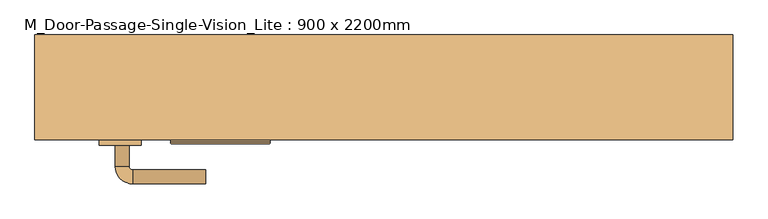
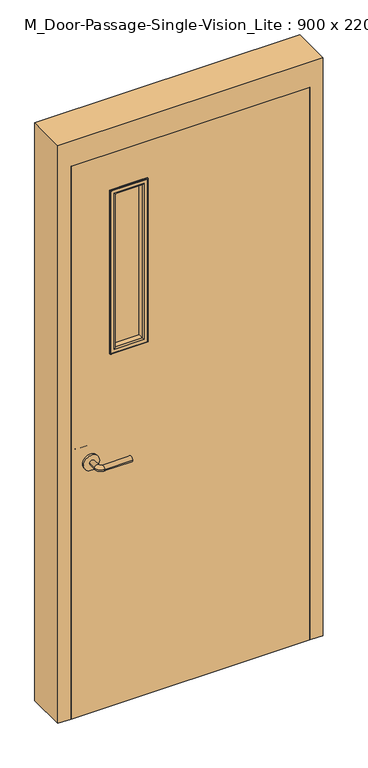
"""IFC4 building model written with IfcOpenShell, lengths in millimetres: door geometry, M_Door-Passage-Single-Vision_Lite : 900 x 2200mm."""

from ifc_helpers import new_model, si_unit, point, frame, frame_2d, origin, place, context, project, spatial, polyline, circle_curve, ellipse_curve, trimmed, segment, composite_curve, outline, extrude, faceted_brep, source, transform, mapped, element, save
from ifc_brep_helpers import plane_surface, cylinder_surface, revolved_surface, advanced_brep


def m_door_passage_single_vision_lite_900_x_2200mm_2c9f69c0(model_context):
    return source(origin(), model_context, "Body", "SolidModel", [
        advanced_brep(
        [(-384.990625, -40.85, 1000.0), (-364.990625, -40.85, 1000.0), (-384.990625, -10.85, 1000.0), (-364.990625, -10.85, 1000.0), (-359.990625, -5.85, 1000.0), (-359.990625, 14.15, 1000.0), (-254.990625, 14.15, 1000.0), (-254.990625, -5.85, 1000.0)],
        [
            (0, 1, circle_curve(frame((-374.990625, -40.85, 1000.0), z_axis=(0.0, -1.0, 0.0), x_axis=(1.0, 0.0, 0.0)), 10.0)),
            (1, 0, circle_curve(frame((-374.990625, -40.85, 1000.0), z_axis=(0.0, -1.0, 0.0), x_axis=(1.0, 0.0, 0.0)), 10.0)),
            (0, 2),
            (2, 3, circle_curve(frame((-374.990625, -10.85, 1000.0), z_axis=(0.0, -1.0, 0.0), x_axis=(1.0, 0.0, 0.0)), 10.0)),
            (3, 1),
            (3, 2, circle_curve(frame((-374.990625, -10.85, 1000.0), z_axis=(0.0, -1.0, 0.0), x_axis=(1.0, 0.0, 0.0)), 10.0)),
            (4, 3, circle_curve(frame((-359.990625, -10.85, 1000.0), z_axis=(0.0, 0.0, 1.0), x_axis=(-1.0, 0.0, 0.0)), 5.0)),
            (2, 5, circle_curve(frame((-359.990625, -10.85, 1000.0), z_axis=(0.0, 0.0, -1.0), x_axis=(-1.0, 0.0, 0.0)), 25.0)),
            (5, 4, circle_curve(frame((-359.990625, 4.15, 1000.0), z_axis=(-1.0, 0.0, 0.0), x_axis=(0.0, -1.0, 0.0)), 10.0)),
            (4, 5, circle_curve(frame((-359.990625, 4.15, 1000.0), z_axis=(-1.0, 0.0, 0.0), x_axis=(0.0, -1.0, 0.0)), 10.0)),
            (6, 7, circle_curve(frame((-254.990625, 4.15, 1000.0), z_axis=(1.0, 0.0, 0.0), x_axis=(0.0, -1.0, 0.0)), 10.0)),
            (7, 6, circle_curve(frame((-254.990625, 4.15, 1000.0), z_axis=(1.0, 0.0, 0.0), x_axis=(0.0, -1.0, 0.0)), 10.0)),
            (5, 6),
            (7, 4),
        ],
        [
            plane_surface(frame((-374.990625, -40.85, 1000.0), z_axis=(0.0, -1.0, 0.0), x_axis=(0.0, 0.0, 1.0))),
            cylinder_surface(frame((-374.990625, -40.85, 1000.0), z_axis=(0.0, -1.0, 0.0), x_axis=(1.0, 0.0, 0.0)), 10.0),
            revolved_surface(trimmed(ellipse_curve(frame((-374.990625, -10.85, 1000.0), z_axis=(0.0, -1.0, 0.0), x_axis=(1.0, 0.0, 0.0)), 10.0, 10.0), [point((-384.990625, -10.85, 1000.0))], [point((-364.990625, -10.85, 1000.0))], True, "CARTESIAN"), (-359.990625, -10.85, 1000.0), (0.0, 0.0, -1.0)),
            revolved_surface(trimmed(ellipse_curve(frame((-374.990625, -10.85, 1000.0), z_axis=(0.0, -1.0, 0.0), x_axis=(1.0, 0.0, 0.0)), 10.0, 10.0), [point((-364.990625, -10.85, 1000.0))], [point((-384.990625, -10.85, 1000.0))], True, "CARTESIAN"), (-359.990625, -10.85, 1000.0), (0.0, 0.0, -1.0)),
            plane_surface(frame((-254.990625, 4.15, 1000.0), z_axis=(1.0, 0.0, 0.0), x_axis=(0.0, 0.0, 1.0))),
            cylinder_surface(frame((-359.990625, 4.15, 1000.0), z_axis=(-1.0, 0.0, 0.0), x_axis=(0.0, -1.0, 0.0)), 10.0),
        ],
        [
            (0, [[1, 2]]),
            (1, [[-1, 3, 4, 5]]),
            (1, [[-2, -5, 6, -3]]),
            (2, [[7, -4, 8, 9]]),
            (3, [[-8, -6, -7, 10]]),
            (4, [[11, 12]]),
            (5, [[-9, 13, -12, 14]]),
            (5, [[-10, -14, -11, -13]]),
        ],
    ),
        extrude(outline(composite_curve([segment(trimmed(circle_curve(frame_2d((1000.0, -377.490625)), 30.0), [point((1000.0, -407.490625))], [point((1000.0, -347.490625))], False, "CARTESIAN"), True, "CONTINUOUS"), segment(trimmed(circle_curve(frame_2d((1000.0, -377.490625)), 30.0), [point((1000.0, -347.490625))], [point((1000.0, -407.490625))], False, "CARTESIAN"), True, "CONTINUOUS")], self_intersect=False)), frame((0.0, -48.85, 0.0), z_axis=(0.0, 1.0, 0.0), x_axis=(0.0, 0.0, 1.0)), (0.0, 0.0, 1.0), 8.0),
        advanced_brep(
        [(-384.990625, -101.85, 1000.0), (-364.990625, -101.85, 1000.0), (-364.990625, -131.85, 1000.0), (-384.990625, -131.85, 1000.0), (-359.990625, -136.85, 1000.0), (-359.990625, -156.85, 1000.0), (-254.990625, -156.85, 1000.0), (-254.990625, -136.85, 1000.0)],
        [
            (0, 1, circle_curve(frame((-374.990625, -101.85, 1000.0), z_axis=(0.0, 1.0, 0.0), x_axis=(1.0, 0.0, 0.0)), 10.0)),
            (1, 0, circle_curve(frame((-374.990625, -101.85, 1000.0), z_axis=(0.0, 1.0, 0.0), x_axis=(1.0, 0.0, 0.0)), 10.0)),
            (1, 2),
            (2, 3, circle_curve(frame((-374.990625, -131.85, 1000.0), z_axis=(0.0, 1.0, 0.0), x_axis=(1.0, 0.0, 0.0)), 10.0)),
            (3, 0),
            (3, 2, circle_curve(frame((-374.990625, -131.85, 1000.0), z_axis=(0.0, 1.0, 0.0), x_axis=(1.0, 0.0, 0.0)), 10.0)),
            (4, 5, circle_curve(frame((-359.990625, -146.85, 1000.0), z_axis=(-1.0, 0.0, 0.0), x_axis=(0.0, 1.0, 0.0)), 10.0)),
            (5, 3, circle_curve(frame((-359.990625, -131.85, 1000.0), z_axis=(0.0, 0.0, -1.0), x_axis=(-1.0, 0.0, 0.0)), 25.0)),
            (2, 4, circle_curve(frame((-359.990625, -131.85, 1000.0), z_axis=(0.0, 0.0, 1.0), x_axis=(-1.0, 0.0, 0.0)), 5.0)),
            (5, 4, circle_curve(frame((-359.990625, -146.85, 1000.0), z_axis=(-1.0, 0.0, 0.0), x_axis=(0.0, 1.0, 0.0)), 10.0)),
            (6, 7, circle_curve(frame((-254.990625, -146.85, 1000.0), z_axis=(1.0, 0.0, 0.0), x_axis=(0.0, 1.0, 0.0)), 10.0)),
            (7, 6, circle_curve(frame((-254.990625, -146.85, 1000.0), z_axis=(1.0, 0.0, 0.0), x_axis=(0.0, 1.0, 0.0)), 10.0)),
            (4, 7),
            (6, 5),
        ],
        [
            plane_surface(frame((-374.990625, -101.85, 1000.0), z_axis=(0.0, 1.0, 0.0), x_axis=(0.0, 0.0, 1.0))),
            cylinder_surface(frame((-374.990625, -101.85, 1000.0), z_axis=(0.0, 1.0, 0.0), x_axis=(1.0, 0.0, 0.0)), 10.0),
            revolved_surface(trimmed(ellipse_curve(frame((-374.990625, -131.85, 1000.0), z_axis=(0.0, -1.0, 0.0), x_axis=(1.0, 0.0, 0.0)), 10.0, 10.0), [point((-384.990625, -131.85, 1000.0))], [point((-364.990625, -131.85, 1000.0))], True, "CARTESIAN"), (-359.990625, -131.85, 1000.0), (0.0, 0.0, -1.0)),
            revolved_surface(trimmed(ellipse_curve(frame((-374.990625, -131.85, 1000.0), z_axis=(0.0, -1.0, 0.0), x_axis=(1.0, 0.0, 0.0)), 10.0, 10.0), [point((-364.990625, -131.85, 1000.0))], [point((-384.990625, -131.85, 1000.0))], True, "CARTESIAN"), (-359.990625, -131.85, 1000.0), (0.0, 0.0, -1.0)),
            plane_surface(frame((-254.990625, -146.85, 1000.0), z_axis=(1.0, 0.0, 0.0), x_axis=(0.0, 0.0, 1.0))),
            cylinder_surface(frame((-359.990625, -146.85, 1000.0), z_axis=(-1.0, 0.0, 0.0), x_axis=(0.0, 1.0, 0.0)), 10.0),
        ],
        [
            (0, [[1, 2]]),
            (1, [[3, 4, 5, -2]]),
            (1, [[-5, 6, -3, -1]]),
            (2, [[7, 8, -4, 9]]),
            (3, [[10, -9, -6, -8]]),
            (4, [[11, 12]]),
            (5, [[13, -11, 14, -7]]),
            (5, [[-14, -12, -13, -10]]),
        ],
    ),
        extrude(outline(composite_curve([segment(trimmed(circle_curve(frame_2d((1000.0, -377.490625)), 30.0), [point((1000.0, -407.490625))], [point((1000.0, -347.490625))], False, "CARTESIAN"), True, "CONTINUOUS"), segment(trimmed(circle_curve(frame_2d((1000.0, -377.490625)), 30.0), [point((1000.0, -347.490625))], [point((1000.0, -407.490625))], False, "CARTESIAN"), True, "CONTINUOUS")], self_intersect=False)), frame((0.0, -101.85, 0.0), z_axis=(0.0, 1.0, 0.0), x_axis=(0.0, 0.0, 1.0)), (0.0, 0.0, 1.0), 8.0),
        faceted_brep([(450.0, -44.0875, 0.0), (434.125, -44.0875, 0.0), (434.125, 6.9375, 0.0), (450.0, 6.9375, 0.0), (450.0, 56.15, 0.0), (500.0, 56.15, 0.0), (500.0, -93.85, 0.0), (450.0, -93.85, 0.0), (450.0, -93.85, 2200.0), (450.0, -44.0875, 2200.0), (500.0, -93.85, 2300.0), (-500.0, -93.85, 2300.0), (-500.0, -93.85, 0.0), (-450.0, -93.85, 0.0), (-450.0, -93.85, 2200.0), (500.0, 56.15, 2300.0), (450.0, 56.15, 2200.0), (-450.0, 56.15, 2200.0), (-450.0, 56.15, 0.0), (-500.0, 56.15, 0.0), (-500.0, 56.15, 2300.0), (450.0, 6.9375, 2200.0), (434.125, 6.9375, 2184.125), (-434.125, 6.9375, 2184.125), (-434.125, 6.9375, 0.0), (-450.0, 6.9375, 0.0), (-450.0, 6.9375, 2200.0), (434.125, -44.0875, 2184.125), (-450.0, -44.0875, 2200.0), (-450.0, -44.0875, 0.0), (-434.125, -44.0875, 0.0), (-434.125, -44.0875, 2184.125)], [[[0, 1, 2, 3, 4, 5, 6, 7]], [[7, 8, 9, 0]], [[6, 10, 11, 12, 13, 14, 8, 7]], [[5, 15, 10, 6]], [[4, 16, 17, 18, 19, 20, 15, 5]], [[3, 21, 16, 4]], [[2, 22, 23, 24, 25, 26, 21, 3]], [[1, 27, 22, 2]], [[0, 9, 28, 29, 30, 31, 27, 1]], [[8, 14, 28, 9]], [[16, 21, 26, 17]], [[22, 27, 31, 23]], [[12, 19, 18, 25, 24, 30, 29, 13]], [[13, 29, 28, 14]], [[11, 20, 19, 12]], [[17, 26, 25, 18]], [[23, 31, 30, 24]], [[15, 20, 11, 10]]]),
        extrude(outline(polyline([(2200.0, -450.0), (0.0, -450.0), (0.0, 450.0), (2200.0, 450.0), (2200.0, -450.0)]), holes=[polyline([(2047.6, -297.6), (2047.6, -170.6), (1412.6, -170.6), (1412.6, -297.6), (2047.6, -297.6)])]), frame((0.0, -93.85, 0.0), z_axis=(0.0, 1.0, 0.0), x_axis=(0.0, 0.0, 1.0)), (0.0, 0.0, 1.0), 45.0),
        extrude(outline(polyline([(-170.6, -68.85), (-170.6, -73.85), (-297.6, -73.85), (-297.6, -68.85), (-170.6, -68.85)])), frame((0.0, 0.0, 1412.6), z_axis=(0.0, 0.0, 1.0), x_axis=(1.0, 0.0, 0.0)), (0.0, 0.0, 1.0), 635.0),
        advanced_brep(
        [(-297.6, -68.85, 1412.6), (-297.6, -68.85, 2047.6), (-297.6, -48.85, 2047.6), (-297.6, -48.85, 1412.6), (-285.6, -47.85, 1424.6), (-285.6, -47.85, 2035.6), (-285.6, -68.85, 2035.6), (-285.6, -68.85, 1424.6), (-290.6, -42.85, 1419.6), (-290.6, -42.85, 2040.6), (-305.6, -44.85, 1404.6), (-305.6, -44.85, 2055.6), (-303.6, -42.85, 2053.6), (-303.6, -42.85, 1406.6), (-305.6, -48.85, 1404.6), (-305.6, -48.85, 2055.6), (-170.6, -68.85, 2047.6), (-170.6, -48.85, 2047.6), (-182.6, -47.85, 2035.6), (-182.6, -68.85, 2035.6), (-177.6, -42.85, 2040.6), (-162.6, -44.85, 2055.6), (-164.6, -42.85, 2053.6), (-162.6, -48.85, 2055.6), (-170.6, -68.85, 1412.6), (-170.6, -48.85, 1412.6), (-182.6, -47.85, 1424.6), (-182.6, -68.85, 1424.6), (-177.6, -42.85, 1419.6), (-162.6, -44.85, 1404.6), (-164.6, -42.85, 1406.6), (-162.6, -48.85, 1404.6)],
        [
            (0, 1),
            (1, 2),
            (2, 3),
            (3, 0),
            (4, 5),
            (5, 6),
            (6, 7),
            (7, 4),
            (8, 9),
            (9, 5, ellipse_curve(frame((-290.6, -47.85, 2040.6), z_axis=(-0.7071067811865475, 0.0, -0.7071067811865475), x_axis=(0.7071067811865474, 0.0, -0.7071067811865476)), 7.0710678, 5.0)),
            (4, 8, ellipse_curve(frame((-290.6, -47.85, 1419.6), z_axis=(-0.7071067811865475, 0.0, 0.7071067811865475), x_axis=(-0.7071067811865474, 0.0, -0.7071067811865476)), 7.0710678, 5.0)),
            (10, 11),
            (11, 12, ellipse_curve(frame((-303.6, -44.85, 2053.6), z_axis=(-0.7071067811865475, 0.0, -0.7071067811865475), x_axis=(0.7071067811865474, 0.0, -0.7071067811865476)), 2.8284271, 2.0)),
            (12, 13),
            (13, 10, ellipse_curve(frame((-303.6, -44.85, 1406.6), z_axis=(-0.7071067811865475, 0.0, 0.7071067811865475), x_axis=(-0.7071067811865474, 0.0, -0.7071067811865476)), 2.8284271, 2.0)),
            (14, 15),
            (15, 11),
            (10, 14),
            (1, 16),
            (16, 17),
            (17, 2),
            (5, 18),
            (18, 19),
            (19, 6),
            (9, 20),
            (20, 18, ellipse_curve(frame((-177.6, -47.85, 2040.6), z_axis=(-0.7071067811865475, 0.0, 0.7071067811865475), x_axis=(-0.7071067811865476, 0.0, -0.7071067811865474)), 7.0710678, 5.0)),
            (11, 21),
            (21, 22, ellipse_curve(frame((-164.6, -44.85, 2053.6), z_axis=(-0.7071067811865475, 0.0, 0.7071067811865475), x_axis=(-0.7071067811865476, 0.0, -0.7071067811865474)), 2.8284271, 2.0)),
            (22, 12),
            (15, 23),
            (23, 21),
            (16, 24),
            (24, 25),
            (25, 17),
            (18, 26),
            (26, 27),
            (27, 19),
            (20, 28),
            (28, 26, ellipse_curve(frame((-177.6, -47.85, 1419.6), z_axis=(0.7071067811865475, 0.0, 0.7071067811865475), x_axis=(-0.7071067811865474, 0.0, 0.7071067811865476)), 7.0710678, 5.0)),
            (21, 29),
            (29, 30, ellipse_curve(frame((-164.6, -44.85, 1406.6), z_axis=(0.7071067811865475, 0.0, 0.7071067811865475), x_axis=(-0.7071067811865474, 0.0, 0.7071067811865476)), 2.8284271, 2.0)),
            (30, 22),
            (23, 31),
            (31, 29),
            (14, 31),
            (25, 3),
            (24, 0),
            (27, 7),
            (26, 4),
            (28, 8),
            (30, 13),
            (29, 10),
        ],
        [
            plane_surface(frame((-297.6, -48.85, 1412.6), z_axis=(-1.0, 0.0, 0.0), x_axis=(0.0, 0.0, 1.0))),
            plane_surface(frame((-285.6, -68.85, 1424.6), z_axis=(1.0, 0.0, 0.0), x_axis=(0.0, 0.0, 1.0))),
            cylinder_surface(frame((-290.6, -47.85, 1412.6), z_axis=(0.0, 0.0, -1.0), x_axis=(-1.0, 0.0, 0.0)), 5.0),
            cylinder_surface(frame((-303.6, -44.85, 1412.6), z_axis=(0.0, 0.0, -1.0), x_axis=(-1.0, 0.0, 0.0)), 2.0),
            plane_surface(frame((-305.6, -44.85, 1404.6), z_axis=(-1.0, 0.0, 0.0), x_axis=(0.0, 0.0, 1.0))),
            plane_surface(frame((-297.6, -48.85, 2047.6), z_axis=(0.0, 0.0, 1.0), x_axis=(1.0, 0.0, 0.0))),
            plane_surface(frame((-285.6, -68.85, 2035.6), z_axis=(0.0, 0.0, -1.0), x_axis=(1.0, 0.0, 0.0))),
            cylinder_surface(frame((-297.6, -47.85, 2040.6), z_axis=(-1.0, 0.0, 0.0), x_axis=(0.0, 0.0, 1.0)), 5.0),
            cylinder_surface(frame((-297.6, -44.85, 2053.6), z_axis=(-1.0, 0.0, 0.0), x_axis=(0.0, 0.0, 1.0)), 2.0),
            plane_surface(frame((-305.6, -44.85, 2055.6), z_axis=(0.0, 0.0, 1.0), x_axis=(1.0, 0.0, 0.0))),
            plane_surface(frame((-170.6, -48.85, 2047.6), z_axis=(1.0, 0.0, 0.0), x_axis=(0.0, 0.0, -1.0))),
            plane_surface(frame((-182.6, -68.85, 2035.6), z_axis=(-1.0, 0.0, 0.0), x_axis=(0.0, 0.0, -1.0))),
            cylinder_surface(frame((-177.6, -47.85, 2047.6), z_axis=(0.0, 0.0, 1.0), x_axis=(1.0, 0.0, 0.0)), 5.0),
            cylinder_surface(frame((-164.6, -44.85, 2047.6), z_axis=(0.0, 0.0, 1.0), x_axis=(1.0, 0.0, 0.0)), 2.0),
            plane_surface(frame((-162.6, -44.85, 2055.6), z_axis=(1.0, 0.0, 0.0), x_axis=(0.0, 0.0, -1.0))),
            plane_surface(frame((-162.6, -48.85, 1404.6), z_axis=(0.0, -1.0, 0.0), x_axis=(-1.0, 0.0, 0.0))),
            plane_surface(frame((-170.6, -48.85, 1412.6), z_axis=(0.0, 0.0, -1.0), x_axis=(-1.0, 0.0, 0.0))),
            plane_surface(frame((-170.6, -68.85, 1412.6), z_axis=(0.0, -1.0, 0.0), x_axis=(-1.0, 0.0, 0.0))),
            plane_surface(frame((-182.6, -68.85, 1424.6), z_axis=(0.0, 0.0, 1.0), x_axis=(-1.0, 0.0, 0.0))),
            cylinder_surface(frame((-170.6, -47.85, 1419.6), z_axis=(1.0, 0.0, 0.0), x_axis=(0.0, 0.0, -1.0)), 5.0),
            plane_surface(frame((-177.6, -42.85, 1419.6), z_axis=(0.0, 1.0, 0.0), x_axis=(-1.0, 0.0, 0.0))),
            cylinder_surface(frame((-170.6, -44.85, 1406.6), z_axis=(1.0, 0.0, 0.0), x_axis=(0.0, 0.0, -1.0)), 2.0),
            plane_surface(frame((-162.6, -44.85, 1404.6), z_axis=(0.0, 0.0, -1.0), x_axis=(-1.0, 0.0, 0.0))),
        ],
        [
            (0, [[1, 2, 3, 4]]),
            (1, [[5, 6, 7, 8]]),
            (2, [[9, 10, -5, 11]]),
            (3, [[12, 13, 14, 15]]),
            (4, [[16, 17, -12, 18]]),
            (5, [[19, 20, 21, -2]]),
            (6, [[22, 23, 24, -6]]),
            (7, [[25, 26, -22, -10]]),
            (8, [[27, 28, 29, -13]]),
            (9, [[30, 31, -27, -17]]),
            (10, [[32, 33, 34, -20]]),
            (11, [[35, 36, 37, -23]]),
            (12, [[38, 39, -35, -26]]),
            (13, [[40, 41, 42, -28]]),
            (14, [[43, 44, -40, -31]]),
            (15, [[-16, 45, -43, -30], [-3, -21, -34, 46]]),
            (16, [[47, -4, -46, -33]]),
            (17, [[-1, -47, -32, -19], [-7, -24, -37, 48]]),
            (18, [[49, -8, -48, -36]]),
            (19, [[50, -11, -49, -39]]),
            (20, [[-14, -29, -42, 51], [-9, -50, -38, -25]]),
            (21, [[52, -15, -51, -41]]),
            (22, [[-45, -18, -52, -44]]),
        ],
    ),
        advanced_brep(
        [(-297.6, -73.85, 2047.6), (-297.6, -73.85, 1412.6), (-297.6, -93.85, 1412.6), (-297.6, -93.85, 2047.6), (-285.6, -94.85, 2035.6), (-285.6, -94.85, 1424.6), (-285.6, -73.85, 1424.6), (-285.6, -73.85, 2035.6), (-290.6, -99.85, 2040.6), (-290.6, -99.85, 1419.6), (-305.6, -97.85, 2055.6), (-305.6, -97.85, 1404.6), (-303.6, -99.85, 1406.6), (-303.6, -99.85, 2053.6), (-305.6, -93.85, 2055.6), (-305.6, -93.85, 1404.6), (-170.6, -73.85, 1412.6), (-170.6, -93.85, 1412.6), (-182.6, -94.85, 1424.6), (-182.6, -73.85, 1424.6), (-177.6, -99.85, 1419.6), (-162.6, -97.85, 1404.6), (-164.6, -99.85, 1406.6), (-162.6, -93.85, 1404.6), (-170.6, -73.85, 2047.6), (-170.6, -93.85, 2047.6), (-182.6, -94.85, 2035.6), (-182.6, -73.85, 2035.6), (-177.6, -99.85, 2040.6), (-162.6, -97.85, 2055.6), (-164.6, -99.85, 2053.6), (-162.6, -93.85, 2055.6)],
        [
            (0, 1),
            (1, 2),
            (2, 3),
            (3, 0),
            (4, 5),
            (5, 6),
            (6, 7),
            (7, 4),
            (8, 9),
            (9, 5, ellipse_curve(frame((-290.6, -94.85, 1419.6), z_axis=(-0.7071067811865475, 0.0, 0.7071067811865475), x_axis=(0.7071067811865474, 0.0, 0.7071067811865476)), 7.0710678, 5.0)),
            (4, 8, ellipse_curve(frame((-290.6, -94.85, 2040.6), z_axis=(-0.7071067811865475, 0.0, -0.7071067811865475), x_axis=(-0.7071067811865474, 0.0, 0.7071067811865476)), 7.0710678, 5.0)),
            (10, 11),
            (11, 12, ellipse_curve(frame((-303.6, -97.85, 1406.6), z_axis=(-0.7071067811865475, 0.0, 0.7071067811865475), x_axis=(0.7071067811865474, 0.0, 0.7071067811865476)), 2.8284271, 2.0)),
            (12, 13),
            (13, 10, ellipse_curve(frame((-303.6, -97.85, 2053.6), z_axis=(-0.7071067811865475, 0.0, -0.7071067811865475), x_axis=(-0.7071067811865474, 0.0, 0.7071067811865476)), 2.8284271, 2.0)),
            (14, 15),
            (15, 11),
            (10, 14),
            (1, 16),
            (16, 17),
            (17, 2),
            (5, 18),
            (18, 19),
            (19, 6),
            (9, 20),
            (20, 18, ellipse_curve(frame((-177.6, -94.85, 1419.6), z_axis=(-0.7071067811865475, 0.0, -0.7071067811865475), x_axis=(-0.7071067811865476, 0.0, 0.7071067811865474)), 7.0710678, 5.0)),
            (11, 21),
            (21, 22, ellipse_curve(frame((-164.6, -97.85, 1406.6), z_axis=(-0.7071067811865475, 0.0, -0.7071067811865475), x_axis=(-0.7071067811865476, 0.0, 0.7071067811865474)), 2.8284271, 2.0)),
            (22, 12),
            (15, 23),
            (23, 21),
            (16, 24),
            (24, 25),
            (25, 17),
            (18, 26),
            (26, 27),
            (27, 19),
            (20, 28),
            (28, 26, ellipse_curve(frame((-177.6, -94.85, 2040.6), z_axis=(0.7071067811865475, 0.0, -0.7071067811865475), x_axis=(-0.7071067811865474, 0.0, -0.7071067811865476)), 7.0710678, 5.0)),
            (21, 29),
            (29, 30, ellipse_curve(frame((-164.6, -97.85, 2053.6), z_axis=(0.7071067811865475, 0.0, -0.7071067811865475), x_axis=(-0.7071067811865474, 0.0, -0.7071067811865476)), 2.8284271, 2.0)),
            (30, 22),
            (23, 31),
            (31, 29),
            (14, 31),
            (25, 3),
            (24, 0),
            (27, 7),
            (26, 4),
            (28, 8),
            (30, 13),
            (29, 10),
        ],
        [
            plane_surface(frame((-297.6, -93.85, 2047.6), z_axis=(-1.0, 0.0, 0.0), x_axis=(0.0, 0.0, -1.0))),
            plane_surface(frame((-285.6, -73.85, 2035.6), z_axis=(1.0, 0.0, 0.0), x_axis=(0.0, 0.0, -1.0))),
            cylinder_surface(frame((-290.6, -94.85, 2047.6), z_axis=(0.0, 0.0, 1.0), x_axis=(-1.0, 0.0, 0.0)), 5.0),
            cylinder_surface(frame((-303.6, -97.85, 2047.6), z_axis=(0.0, 0.0, 1.0), x_axis=(-1.0, 0.0, 0.0)), 2.0),
            plane_surface(frame((-305.6, -97.85, 2055.6), z_axis=(-1.0, 0.0, 0.0), x_axis=(0.0, 0.0, -1.0))),
            plane_surface(frame((-297.6, -93.85, 1412.6), z_axis=(0.0, 0.0, -1.0), x_axis=(1.0, 0.0, 0.0))),
            plane_surface(frame((-285.6, -73.85, 1424.6), z_axis=(0.0, 0.0, 1.0), x_axis=(1.0, 0.0, 0.0))),
            cylinder_surface(frame((-297.6, -94.85, 1419.6), z_axis=(-1.0, 0.0, 0.0), x_axis=(0.0, 0.0, -1.0)), 5.0),
            cylinder_surface(frame((-297.6, -97.85, 1406.6), z_axis=(-1.0, 0.0, 0.0), x_axis=(0.0, 0.0, -1.0)), 2.0),
            plane_surface(frame((-305.6, -97.85, 1404.6), z_axis=(0.0, 0.0, -1.0), x_axis=(1.0, 0.0, 0.0))),
            plane_surface(frame((-170.6, -93.85, 1412.6), z_axis=(1.0, 0.0, 0.0), x_axis=(0.0, 0.0, 1.0))),
            plane_surface(frame((-182.6, -73.85, 1424.6), z_axis=(-1.0, 0.0, 0.0), x_axis=(0.0, 0.0, 1.0))),
            cylinder_surface(frame((-177.6, -94.85, 1412.6), z_axis=(0.0, 0.0, -1.0), x_axis=(1.0, 0.0, 0.0)), 5.0),
            cylinder_surface(frame((-164.6, -97.85, 1412.6), z_axis=(0.0, 0.0, -1.0), x_axis=(1.0, 0.0, 0.0)), 2.0),
            plane_surface(frame((-162.6, -97.85, 1404.6), z_axis=(1.0, 0.0, 0.0), x_axis=(0.0, 0.0, 1.0))),
            plane_surface(frame((-162.6, -93.85, 2055.6), z_axis=(0.0, 1.0, 0.0), x_axis=(-1.0, 0.0, 0.0))),
            plane_surface(frame((-170.6, -93.85, 2047.6), z_axis=(0.0, 0.0, 1.0), x_axis=(-1.0, 0.0, 0.0))),
            plane_surface(frame((-170.6, -73.85, 2047.6), z_axis=(0.0, 1.0, 0.0), x_axis=(-1.0, 0.0, 0.0))),
            plane_surface(frame((-182.6, -73.85, 2035.6), z_axis=(0.0, 0.0, -1.0), x_axis=(-1.0, 0.0, 0.0))),
            cylinder_surface(frame((-170.6, -94.85, 2040.6), z_axis=(1.0, 0.0, 0.0), x_axis=(0.0, 0.0, 1.0)), 5.0),
            plane_surface(frame((-177.6, -99.85, 2040.6), z_axis=(0.0, -1.0, 0.0), x_axis=(-1.0, 0.0, 0.0))),
            cylinder_surface(frame((-170.6, -97.85, 2053.6), z_axis=(1.0, 0.0, 0.0), x_axis=(0.0, 0.0, 1.0)), 2.0),
            plane_surface(frame((-162.6, -97.85, 2055.6), z_axis=(0.0, 0.0, 1.0), x_axis=(-1.0, 0.0, 0.0))),
        ],
        [
            (0, [[1, 2, 3, 4]]),
            (1, [[5, 6, 7, 8]]),
            (2, [[9, 10, -5, 11]]),
            (3, [[12, 13, 14, 15]]),
            (4, [[16, 17, -12, 18]]),
            (5, [[19, 20, 21, -2]]),
            (6, [[22, 23, 24, -6]]),
            (7, [[25, 26, -22, -10]]),
            (8, [[27, 28, 29, -13]]),
            (9, [[30, 31, -27, -17]]),
            (10, [[32, 33, 34, -20]]),
            (11, [[35, 36, 37, -23]]),
            (12, [[38, 39, -35, -26]]),
            (13, [[40, 41, 42, -28]]),
            (14, [[43, 44, -40, -31]]),
            (15, [[-16, 45, -43, -30], [-3, -21, -34, 46]]),
            (16, [[47, -4, -46, -33]]),
            (17, [[-1, -47, -32, -19], [-7, -24, -37, 48]]),
            (18, [[49, -8, -48, -36]]),
            (19, [[50, -11, -49, -39]]),
            (20, [[-14, -29, -42, 51], [-9, -50, -38, -25]]),
            (21, [[52, -15, -51, -41]]),
            (22, [[-45, -18, -52, -44]]),
        ],
    ),
    ])


if __name__ == "__main__":
    model = new_model("IFC4")
    model_context = context("Model", 3, world=origin())
    ifc_project = project(units=[si_unit("LENGTHUNIT", "METRE", prefix="MILLI")], contexts=[model_context])
    site = spatial("IfcSite", under=ifc_project)
    building = spatial("IfcBuilding", under=site)
    placement = place(None, origin())
    m_door_passage_single_vision_lite_900_x_2200mm_shape = m_door_passage_single_vision_lite_900_x_2200mm_2c9f69c0(model_context)
    element("IfcDoor", 1, ObjectType="M_Door-Passage-Single-Vision_Lite : 900 x 2200mm", at=placement, inside=building, context=model_context, shape_type="MappedRepresentation", body=[
        mapped(m_door_passage_single_vision_lite_900_x_2200mm_shape, transform((0.0, 0.0, 0.0), x_axis=(1.0, 0.0, 0.0), y_axis=(0.0, 1.0, 0.0), z_axis=(0.0, 0.0, 1.0))),
    ])
    save(model, "model.ifc")
